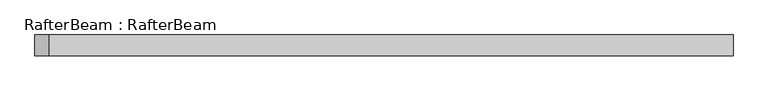
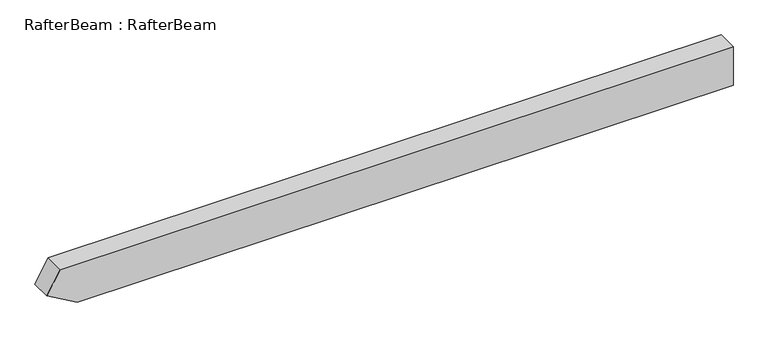
"""IFC4 building model written with IfcOpenShell, lengths in millimetres: beam geometry, RafterBeam : RafterBeam."""

from ifc_helpers import new_model, si_unit, frame, origin, place, context, project, spatial, polyline, outline, extrude, source, transform, mapped, element, save


def rafterbeam_rafterbeam_91fe5810(model_context):
    return source(origin(), model_context, "Body", "SweptSolid", [
        extrude(outline(polyline([(-50.0, 789.6466396), (50.0, 789.6466396), (50.0, -854.966366), (-6.6987298, -887.7013929), (-50.0, -812.7013929), (-50.0, 789.6466396)])), frame((0.0, -25.0, 0.0), z_axis=(0.0, 1.0, 0.0), x_axis=(0.0, 0.0, 1.0)), (0.0, 0.0, 1.0), 50.0),
    ])


if __name__ == "__main__":
    model = new_model("IFC4")
    model_context = context("Model", 3, world=origin())
    ifc_project = project(units=[si_unit("LENGTHUNIT", "METRE", prefix="MILLI")], contexts=[model_context])
    site = spatial("IfcSite", under=ifc_project)
    building = spatial("IfcBuilding", under=site)
    placement = place(None, origin())
    rafterbeam_rafterbeam_shape = rafterbeam_rafterbeam_91fe5810(model_context)
    element("IfcBeam", 1, ObjectType="RafterBeam : RafterBeam", at=placement, inside=building, context=model_context, shape_type="MappedRepresentation", body=[
        mapped(rafterbeam_rafterbeam_shape, transform((0.0, 0.0, 0.0), x_axis=(1.0, 0.0, 0.0), y_axis=(0.0, 1.0, 0.0), z_axis=(0.0, 0.0, 1.0))),
    ])
    save(model, "model.ifc")
